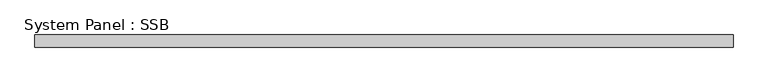
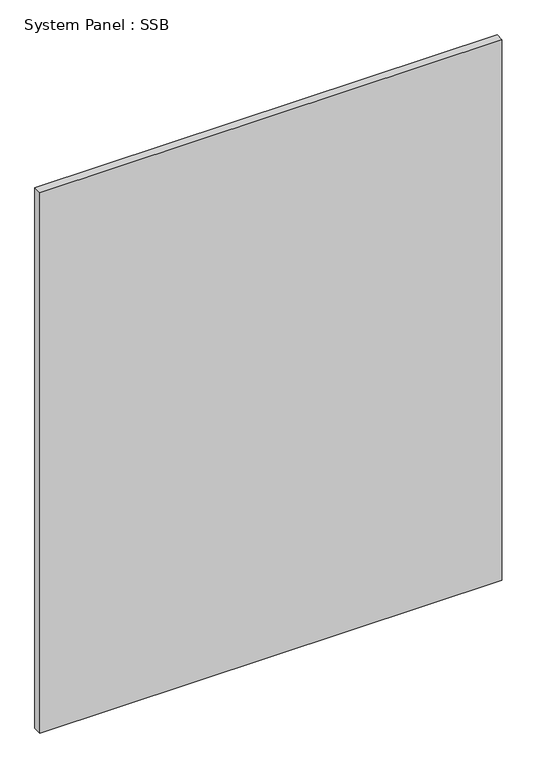
"""IFC4 building model written with IfcOpenShell, lengths in millimetres: plate geometry, System Panel : SSB."""

from ifc_helpers import new_model, si_unit, origin, origin_with_axes, place, context, project, spatial, polyline, outline, extrude, source, transform, mapped, element, save


def system_panel_ssb_fa2a0432(model_context):
    return source(origin(), model_context, "Body", "SweptSolid", [
        extrude(outline(polyline([(706.4375, 18.25625), (-706.4375, 18.25625), (-706.4375, 43.65625), (706.4375, 43.65625), (706.4375, 18.25625)])), origin_with_axes(), (0.0, 0.0, 1.0), 1746.25),
    ])


if __name__ == "__main__":
    model = new_model("IFC4")
    model_context = context("Model", 3, world=origin())
    ifc_project = project(units=[si_unit("LENGTHUNIT", "METRE", prefix="MILLI")], contexts=[model_context])
    site = spatial("IfcSite", under=ifc_project)
    building = spatial("IfcBuilding", under=site)
    placement = place(None, origin())
    system_panel_ssb_shape = system_panel_ssb_fa2a0432(model_context)
    element("IfcPlate", 1, ObjectType="System Panel : SSB", at=placement, inside=building, context=model_context, shape_type="MappedRepresentation", body=[
        mapped(system_panel_ssb_shape, transform((0.0, 0.0, 0.0), x_axis=(1.0, 0.0, 0.0), y_axis=(0.0, 1.0, 0.0), z_axis=(0.0, 0.0, 1.0))),
    ])
    save(model, "model.ifc")
